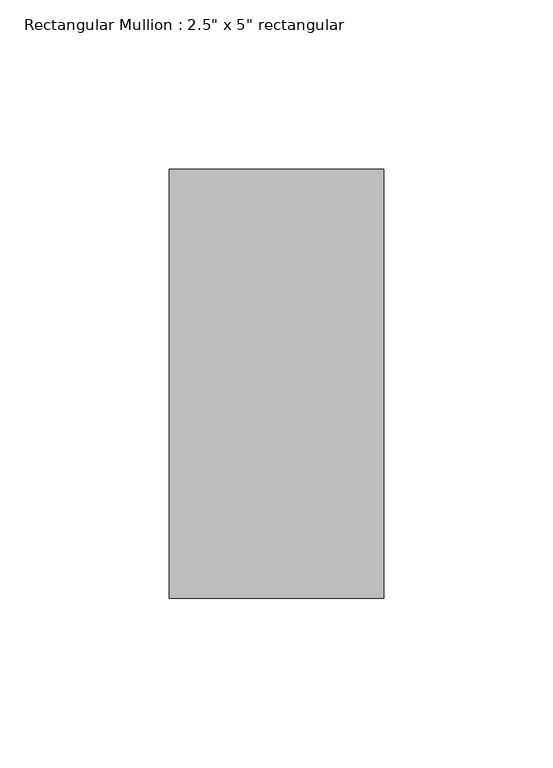
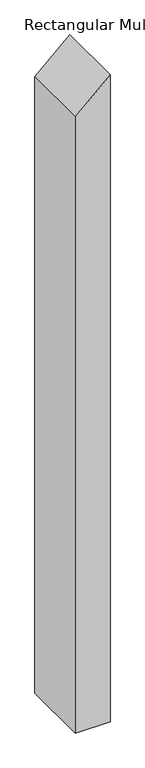
"""IFC4 building model written with IfcOpenShell, lengths in millimetres: member geometry."""

from ifc_helpers import new_model, si_unit, frame, origin, place, context, project, spatial, polyline, outline, extrude, source, transform, mapped, element, save


def member_223dca8e(model_context):
    return source(origin(), model_context, "Body", "SweptSolid", [
        extrude(outline(polyline([(0.0, 0.0), (-58.6806163, -63.5), (-1245.6953034, -63.5), (-1245.6953034, 0.0), (0.0, 0.0)])), frame((0.0, -63.5, 0.0), z_axis=(0.0, 1.0, 0.0), x_axis=(0.0, 0.0, 1.0)), (0.0, 0.0, 1.0), 127.0),
    ])


if __name__ == "__main__":
    model = new_model("IFC4")
    model_context = context("Model", 3, world=origin())
    ifc_project = project(units=[si_unit("LENGTHUNIT", "METRE", prefix="MILLI")], contexts=[model_context])
    site = spatial("IfcSite", under=ifc_project)
    building = spatial("IfcBuilding", under=site)
    placement = place(None, origin())
    member_shape = member_223dca8e(model_context)
    element("IfcMember", 1, ObjectType="Rectangular Mullion : 2.5\" x 5\" rectangular", at=placement, inside=building, context=model_context, shape_type="MappedRepresentation", body=[
        mapped(member_shape, transform((0.0, 0.0, 0.0), x_axis=(1.0, 0.0, 0.0), y_axis=(0.0, 1.0, 0.0), z_axis=(0.0, 0.0, 1.0))),
    ])
    save(model, "model.ifc")
